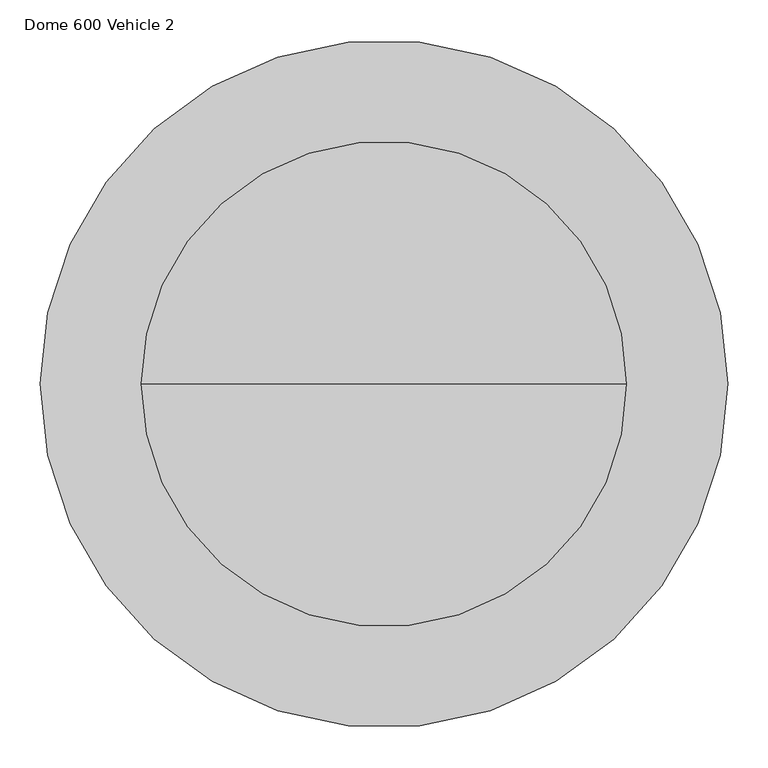
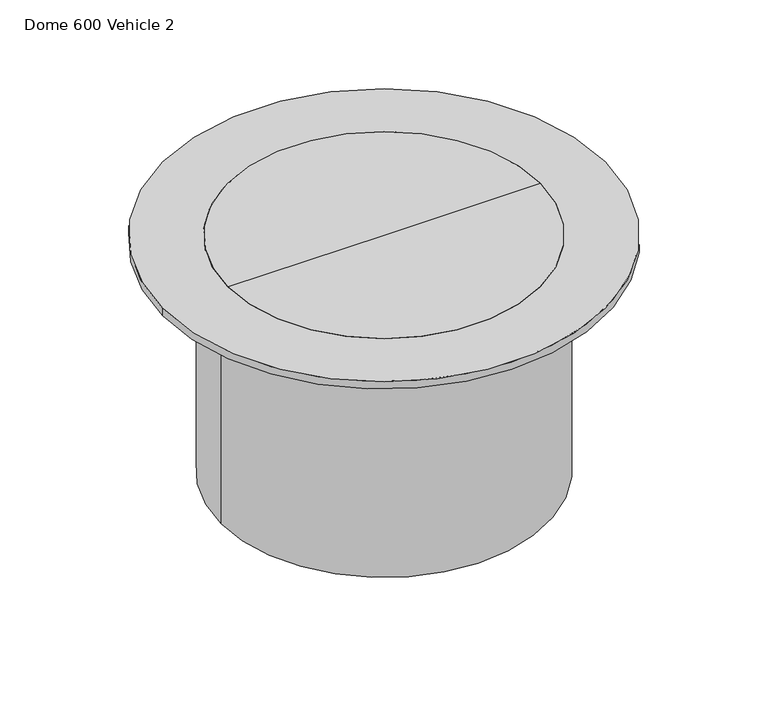
"""IFC4 building model written with IfcOpenShell, lengths in millimetres: proxy geometry, Dome 600 Vehicle 2."""

from ifc_helpers import new_model, si_unit, point, frame, origin, origin_2d, place, context, project, spatial, polyline, circle_curve, trimmed, segment, composite_curve, outline, extrude, source, transform, mapped, element, save
from ifc_brep_helpers import plane_surface, cylinder_surface, advanced_brep


def dome_600_vehicle_2_504724ee(model_context):
    return source(origin(), model_context, "Body", "SolidModel", [
        advanced_brep(
        [(0.0, 0.0, -14.9500624), (-300.0, 0.0, -14.9500624), (300.0, 0.0, -14.9500624), (-300.0, 0.0, 0.0), (300.0, 0.0, 0.0), (0.0, 0.0, 0.0)],
        [
            (0, 1),
            (1, 2, circle_curve(frame((0.0, 0.0, -14.9500624), z_axis=(0.0, 0.0, -1.0), x_axis=(-1.0, 0.0, 0.0)), 300.0)),
            (2, 0),
            (2, 1, circle_curve(frame((0.0, 0.0, -14.9500624), z_axis=(0.0, 0.0, -1.0), x_axis=(-1.0, 0.0, 0.0)), 300.0)),
            (1, 3),
            (3, 4, circle_curve(frame((0.0, 0.0, 0.0), z_axis=(0.0, 0.0, -1.0), x_axis=(-1.0, 0.0, 0.0)), 300.0)),
            (4, 2),
            (4, 3, circle_curve(frame((0.0, 0.0, 0.0), z_axis=(0.0, 0.0, -1.0), x_axis=(-1.0, 0.0, 0.0)), 300.0)),
            (3, 5),
            (5, 4),
        ],
        [
            plane_surface(frame((0.0, 0.0, -14.9500624), z_axis=(0.0, 0.0, -1.0), x_axis=(-1.0, 0.0, 0.0))),
            cylinder_surface(frame((0.0, 0.0, -119.9500624), z_axis=(0.0, 0.0, -1.0), x_axis=(-1.0, 0.0, 0.0)), 300.0),
            plane_surface(frame((0.0, 0.0, 0.0), z_axis=(0.0, 0.0, 1.0), x_axis=(-1.0, 0.0, 0.0))),
        ],
        [
            (0, [[1, 2, 3]]),
            (0, [[-3, 4, -1]]),
            (1, [[-2, 5, 6, 7]]),
            (1, [[-4, -7, 8, -5]]),
            (2, [[-6, 9, 10]]),
            (2, [[-8, -10, -9]]),
        ],
    ),
        extrude(outline(composite_curve([segment(trimmed(circle_curve(origin_2d(), 313.0), [point((-313.0, 0.0))], [point((313.0, 0.0))], False, "CARTESIAN"), True, "CONTINUOUS"), segment(trimmed(circle_curve(origin_2d(), 313.0), [point((313.0, 0.0))], [point((-313.0, 0.0))], False, "CARTESIAN"), True, "CONTINUOUS")], self_intersect=False), holes=[composite_curve([segment(trimmed(circle_curve(origin_2d(), 300.0), [point((-300.0, 0.0))], [point((300.0, 0.0))], True, "CARTESIAN"), True, "CONTINUOUS"), segment(trimmed(circle_curve(origin_2d(), 300.0), [point((300.0, 0.0))], [point((-300.0, 0.0))], True, "CARTESIAN"), True, "CONTINUOUS")], self_intersect=False)]), frame((0.0, 0.0, -476.0), z_axis=(0.0, 0.0, 1.0), x_axis=(1.0, 0.0, 0.0)), (0.0, 0.0, 1.0), 461.0499376),
        extrude(outline(composite_curve([segment(trimmed(circle_curve(origin_2d(), 425.0), [point((-425.0, 0.0))], [point((425.0, 0.0))], False, "CARTESIAN"), True, "CONTINUOUS"), segment(trimmed(circle_curve(origin_2d(), 425.0), [point((425.0, 0.0))], [point((-425.0, 0.0))], False, "CARTESIAN"), True, "CONTINUOUS")], self_intersect=False), holes=[composite_curve([segment(trimmed(circle_curve(origin_2d(), 300.0), [point((-300.0, 0.0))], [point((300.0, 0.0))], True, "CARTESIAN"), True, "CONTINUOUS"), segment(trimmed(circle_curve(origin_2d(), 300.0), [point((300.0, 0.0))], [point((-300.0, 0.0))], True, "CARTESIAN"), True, "CONTINUOUS")], self_intersect=False)]), frame((0.0, 0.0, -14.9500624), z_axis=(0.0, 0.0, 1.0), x_axis=(1.0, 0.0, 0.0)), (0.0, 0.0, 1.0), 14.9500624),
        extrude(outline(composite_curve([segment(trimmed(circle_curve(origin_2d(), 313.0), [point((-260.5755532, -173.4052511))], [point((-208.7240033, -233.2451295))], True, "CARTESIAN"), True, "CONTINUOUS"), segment(polyline([(-208.7240033, -233.2451295), (-225.0974564, -252.1411016)]), True, "CONTINUOUS"), segment(trimmed(circle_curve(origin_2d(), 338.0), [point((-225.0974564, -252.1411016))], [point((-281.6093769, -186.9228688))], False, "CARTESIAN"), True, "CONTINUOUS"), segment(polyline([(-281.6093769, -186.9228688), (-260.5755532, -173.4052511)]), True, "CONTINUOUS")], self_intersect=False)), frame((0.0, 0.0, -40.0), z_axis=(0.0, 0.0, 1.0), x_axis=(1.0, 0.0, 0.0)), (0.0, 0.0, 1.0), 25.0499376),
        extrude(outline(composite_curve([segment(polyline([(-265.9819613, -164.9927157), (-287.015785, -178.5103334)]), True, "CONTINUOUS"), segment(trimmed(circle_curve(origin_2d(), 338.0), [point((-287.015785, -178.5103334))], [point((-322.8644761, -100.0126494))], False, "CARTESIAN"), True, "CONTINUOUS"), segment(polyline([(-322.8644761, -100.0126494), (-298.8743171, -92.9685031)]), True, "CONTINUOUS"), segment(trimmed(circle_curve(origin_2d(), 313.0), [point((-298.8743171, -92.9685031))], [point((-265.9819613, -164.9927157))], True, "CARTESIAN"), True, "CONTINUOUS")], self_intersect=False)), frame((0.0, 0.0, -40.0), z_axis=(0.0, 0.0, 1.0), x_axis=(1.0, 0.0, 0.0)), (0.0, 0.0, 1.0), 25.0499376),
        extrude(outline(composite_curve([segment(polyline([(-312.9600613, 5.0), (-337.9630157, 5.0)]), True, "CONTINUOUS"), segment(trimmed(circle_curve(origin_2d(), 338.0), [point((-337.9630157, 5.0))], [point((-325.6818017, 90.4177197))], False, "CARTESIAN"), True, "CONTINUOUS"), segment(polyline([(-325.6818017, 90.4177197), (-301.6916427, 83.3735734)]), True, "CONTINUOUS"), segment(trimmed(circle_curve(origin_2d(), 313.0), [point((-301.6916427, 83.3735734))], [point((-312.9600613, 5.0))], True, "CARTESIAN"), True, "CONTINUOUS")], self_intersect=False)), frame((0.0, 0.0, -40.0), z_axis=(0.0, 0.0, 1.0), x_axis=(1.0, 0.0, 0.0)), (0.0, 0.0, 1.0), 25.0499376),
        extrude(outline(composite_curve([segment(trimmed(circle_curve(origin_2d(), 313.0), [point((-312.9600613, -5.0))], [point((-301.6916427, -83.3735734))], True, "CARTESIAN"), True, "CONTINUOUS"), segment(polyline([(-301.6916427, -83.3735734), (-325.6818017, -90.4177197)]), True, "CONTINUOUS"), segment(trimmed(circle_curve(origin_2d(), 338.0), [point((-325.6818017, -90.4177197))], [point((-337.9630157, -5.0))], False, "CARTESIAN"), True, "CONTINUOUS"), segment(polyline([(-337.9630157, -5.0), (-312.9600613, -5.0)]), True, "CONTINUOUS")], self_intersect=False)), frame((0.0, 0.0, -40.0), z_axis=(0.0, 0.0, 1.0), x_axis=(1.0, 0.0, 0.0)), (0.0, 0.0, 1.0), 25.0499376),
        extrude(outline(composite_curve([segment(trimmed(circle_curve(origin_2d(), 313.0), [point((-265.9819613, 164.9927157))], [point((-298.8743171, 92.9685031))], True, "CARTESIAN"), True, "CONTINUOUS"), segment(polyline([(-298.8743171, 92.9685031), (-322.8644761, 100.0126494)]), True, "CONTINUOUS"), segment(trimmed(circle_curve(origin_2d(), 338.0), [point((-322.8644761, 100.0126494))], [point((-287.015785, 178.5103334))], False, "CARTESIAN"), True, "CONTINUOUS"), segment(polyline([(-287.015785, 178.5103334), (-265.9819613, 164.9927157)]), True, "CONTINUOUS")], self_intersect=False)), frame((0.0, 0.0, -40.0), z_axis=(0.0, 0.0, 1.0), x_axis=(1.0, 0.0, 0.0)), (0.0, 0.0, 1.0), 25.0499376),
        extrude(outline(composite_curve([segment(polyline([(-260.5755532, 173.4052511), (-281.6093769, 186.9228688)]), True, "CONTINUOUS"), segment(trimmed(circle_curve(origin_2d(), 338.0), [point((-281.6093769, 186.9228688))], [point((-225.0974564, 252.1411016))], False, "CARTESIAN"), True, "CONTINUOUS"), segment(polyline([(-225.0974564, 252.1411016), (-208.7240033, 233.2451295)]), True, "CONTINUOUS"), segment(trimmed(circle_curve(origin_2d(), 313.0), [point((-208.7240033, 233.2451295))], [point((-260.5755532, 173.4052511))], True, "CARTESIAN"), True, "CONTINUOUS")], self_intersect=False)), frame((0.0, 0.0, -40.0), z_axis=(0.0, 0.0, 1.0), x_axis=(1.0, 0.0, 0.0)), (0.0, 0.0, 1.0), 25.0499376),
        extrude(outline(composite_curve([segment(polyline([(208.7240033, 233.2451295), (225.0974564, 252.1411016)]), True, "CONTINUOUS"), segment(trimmed(circle_curve(origin_2d(), 338.0), [point((225.0974564, 252.1411016))], [point((281.6093769, 186.9228688))], False, "CARTESIAN"), True, "CONTINUOUS"), segment(polyline([(281.6093769, 186.9228688), (260.5755532, 173.4052511)]), True, "CONTINUOUS"), segment(trimmed(circle_curve(origin_2d(), 313.0), [point((260.5755532, 173.4052511))], [point((208.7240033, 233.2451295))], True, "CARTESIAN"), True, "CONTINUOUS")], self_intersect=False)), frame((0.0, 0.0, -40.0), z_axis=(0.0, 0.0, 1.0), x_axis=(1.0, 0.0, 0.0)), (0.0, 0.0, 1.0), 25.0499376),
        extrude(outline(composite_curve([segment(trimmed(circle_curve(origin_2d(), 313.0), [point((201.1665076, 239.7937368))], [point((134.5564679, 282.60141))], True, "CARTESIAN"), True, "CONTINUOUS"), segment(polyline([(134.5564679, 282.60141), (144.9430705, 305.3448973)]), True, "CONTINUOUS"), segment(trimmed(circle_curve(origin_2d(), 338.0), [point((144.9430705, 305.3448973))], [point((217.5399607, 258.689709))], False, "CARTESIAN"), True, "CONTINUOUS"), segment(polyline([(217.5399607, 258.689709), (201.1665076, 239.7937368)]), True, "CONTINUOUS")], self_intersect=False)), frame((0.0, 0.0, -40.0), z_axis=(0.0, 0.0, 1.0), x_axis=(1.0, 0.0, 0.0)), (0.0, 0.0, 1.0), 25.0499376),
        extrude(outline(composite_curve([segment(trimmed(circle_curve(origin_2d(), 313.0), [point((39.5897533, 310.4861534))], [point((-39.5897533, 310.4861534))], True, "CARTESIAN"), True, "CONTINUOUS"), segment(polyline([(-39.5897533, 310.4861534), (-43.1480447, 335.2346137)]), True, "CONTINUOUS"), segment(trimmed(circle_curve(origin_2d(), 338.0), [point((-43.1480447, 335.2346137))], [point((43.1480447, 335.2346137))], False, "CARTESIAN"), True, "CONTINUOUS"), segment(polyline([(43.1480447, 335.2346137), (39.5897533, 310.4861534)]), True, "CONTINUOUS")], self_intersect=False)), frame((0.0, 0.0, -40.0), z_axis=(0.0, 0.0, 1.0), x_axis=(1.0, 0.0, 0.0)), (0.0, 0.0, 1.0), 25.0499376),
        extrude(outline(composite_curve([segment(polyline([(49.4879677, 309.063005), (53.0462591, 333.8114653)]), True, "CONTINUOUS"), segment(trimmed(circle_curve(origin_2d(), 338.0), [point((53.0462591, 333.8114653))], [point((135.8467506, 309.4990474))], False, "CARTESIAN"), True, "CONTINUOUS"), segment(polyline([(135.8467506, 309.4990474), (125.460148, 286.7555601)]), True, "CONTINUOUS"), segment(trimmed(circle_curve(origin_2d(), 313.0), [point((125.460148, 286.7555601))], [point((49.4879677, 309.063005))], True, "CARTESIAN"), True, "CONTINUOUS")], self_intersect=False)), frame((0.0, 0.0, -40.0), z_axis=(0.0, 0.0, 1.0), x_axis=(1.0, 0.0, 0.0)), (0.0, 0.0, 1.0), 25.0499376),
        extrude(outline(composite_curve([segment(polyline([(-125.460148, 286.7555601), (-135.8467506, 309.4990474)]), True, "CONTINUOUS"), segment(trimmed(circle_curve(origin_2d(), 338.0), [point((-135.8467506, 309.4990474))], [point((-53.0462591, 333.8114653))], False, "CARTESIAN"), True, "CONTINUOUS"), segment(polyline([(-53.0462591, 333.8114653), (-49.4879677, 309.063005)]), True, "CONTINUOUS"), segment(trimmed(circle_curve(origin_2d(), 313.0), [point((-49.4879677, 309.063005))], [point((-125.460148, 286.7555601))], True, "CARTESIAN"), True, "CONTINUOUS")], self_intersect=False)), frame((0.0, 0.0, -40.0), z_axis=(0.0, 0.0, 1.0), x_axis=(1.0, 0.0, 0.0)), (0.0, 0.0, 1.0), 25.0499376),
        extrude(outline(composite_curve([segment(trimmed(circle_curve(origin_2d(), 313.0), [point((-134.5564679, 282.60141))], [point((-201.1665076, 239.7937368))], True, "CARTESIAN"), True, "CONTINUOUS"), segment(polyline([(-201.1665076, 239.7937368), (-217.5399607, 258.689709)]), True, "CONTINUOUS"), segment(trimmed(circle_curve(origin_2d(), 338.0), [point((-217.5399607, 258.689709))], [point((-144.9430705, 305.3448973))], False, "CARTESIAN"), True, "CONTINUOUS"), segment(polyline([(-144.9430705, 305.3448973), (-134.5564679, 282.60141)]), True, "CONTINUOUS")], self_intersect=False)), frame((0.0, 0.0, -40.0), z_axis=(0.0, 0.0, 1.0), x_axis=(1.0, 0.0, 0.0)), (0.0, 0.0, 1.0), 25.0499376),
        extrude(outline(composite_curve([segment(trimmed(circle_curve(origin_2d(), 313.0), [point((298.8743171, 92.9685031))], [point((265.9819613, 164.9927157))], True, "CARTESIAN"), True, "CONTINUOUS"), segment(polyline([(265.9819613, 164.9927157), (287.015785, 178.5103334)]), True, "CONTINUOUS"), segment(trimmed(circle_curve(origin_2d(), 338.0), [point((287.015785, 178.5103334))], [point((322.8644761, 100.0126494))], False, "CARTESIAN"), True, "CONTINUOUS"), segment(polyline([(322.8644761, 100.0126494), (298.8743171, 92.9685031)]), True, "CONTINUOUS")], self_intersect=False)), frame((0.0, 0.0, -40.0), z_axis=(0.0, 0.0, 1.0), x_axis=(1.0, 0.0, 0.0)), (0.0, 0.0, 1.0), 25.0499376),
        extrude(outline(composite_curve([segment(polyline([(301.6916427, 83.3735734), (325.6818017, 90.4177197)]), True, "CONTINUOUS"), segment(trimmed(circle_curve(origin_2d(), 338.0), [point((325.6818017, 90.4177197))], [point((337.9630157, 5.0))], False, "CARTESIAN"), True, "CONTINUOUS"), segment(polyline([(337.9630157, 5.0), (312.9600613, 5.0)]), True, "CONTINUOUS"), segment(trimmed(circle_curve(origin_2d(), 313.0), [point((312.9600613, 5.0))], [point((301.6916427, 83.3735734))], True, "CARTESIAN"), True, "CONTINUOUS")], self_intersect=False)), frame((0.0, 0.0, -40.0), z_axis=(0.0, 0.0, 1.0), x_axis=(1.0, 0.0, 0.0)), (0.0, 0.0, 1.0), 25.0499376),
        extrude(outline(composite_curve([segment(polyline([(298.8743171, -92.9685031), (322.8644761, -100.0126494)]), True, "CONTINUOUS"), segment(trimmed(circle_curve(origin_2d(), 338.0), [point((322.8644761, -100.0126494))], [point((287.015785, -178.5103334))], False, "CARTESIAN"), True, "CONTINUOUS"), segment(polyline([(287.015785, -178.5103334), (265.9819613, -164.9927157)]), True, "CONTINUOUS"), segment(trimmed(circle_curve(origin_2d(), 313.0), [point((265.9819613, -164.9927157))], [point((298.8743171, -92.9685031))], True, "CARTESIAN"), True, "CONTINUOUS")], self_intersect=False)), frame((0.0, 0.0, -40.0), z_axis=(0.0, 0.0, 1.0), x_axis=(1.0, 0.0, 0.0)), (0.0, 0.0, 1.0), 25.0499376),
        extrude(outline(composite_curve([segment(trimmed(circle_curve(origin_2d(), 313.0), [point((301.6916427, -83.3735734))], [point((312.9600613, -5.0))], True, "CARTESIAN"), True, "CONTINUOUS"), segment(polyline([(312.9600613, -5.0), (337.9630157, -5.0)]), True, "CONTINUOUS"), segment(trimmed(circle_curve(origin_2d(), 338.0), [point((337.9630157, -5.0))], [point((325.6818017, -90.4177197))], False, "CARTESIAN"), True, "CONTINUOUS"), segment(polyline([(325.6818017, -90.4177197), (301.6916427, -83.3735734)]), True, "CONTINUOUS")], self_intersect=False)), frame((0.0, 0.0, -40.0), z_axis=(0.0, 0.0, 1.0), x_axis=(1.0, 0.0, 0.0)), (0.0, 0.0, 1.0), 25.0499376),
        extrude(outline(composite_curve([segment(trimmed(circle_curve(origin_2d(), 313.0), [point((208.7240033, -233.2451295))], [point((260.5755532, -173.4052511))], True, "CARTESIAN"), True, "CONTINUOUS"), segment(polyline([(260.5755532, -173.4052511), (281.6093769, -186.9228688)]), True, "CONTINUOUS"), segment(trimmed(circle_curve(origin_2d(), 338.0), [point((281.6093769, -186.9228688))], [point((225.0974564, -252.1411016))], False, "CARTESIAN"), True, "CONTINUOUS"), segment(polyline([(225.0974564, -252.1411016), (208.7240033, -233.2451295)]), True, "CONTINUOUS")], self_intersect=False)), frame((0.0, 0.0, -40.0), z_axis=(0.0, 0.0, 1.0), x_axis=(1.0, 0.0, 0.0)), (0.0, 0.0, 1.0), 25.0499376),
        extrude(outline(composite_curve([segment(polyline([(201.1665076, -239.7937368), (217.5399607, -258.689709)]), True, "CONTINUOUS"), segment(trimmed(circle_curve(origin_2d(), 338.0), [point((217.5399607, -258.689709))], [point((144.9430705, -305.3448973))], False, "CARTESIAN"), True, "CONTINUOUS"), segment(polyline([(144.9430705, -305.3448973), (134.5564679, -282.60141)]), True, "CONTINUOUS"), segment(trimmed(circle_curve(origin_2d(), 313.0), [point((134.5564679, -282.60141))], [point((201.1665076, -239.7937368))], True, "CARTESIAN"), True, "CONTINUOUS")], self_intersect=False)), frame((0.0, 0.0, -40.0), z_axis=(0.0, 0.0, 1.0), x_axis=(1.0, 0.0, 0.0)), (0.0, 0.0, 1.0), 25.0499376),
        extrude(outline(composite_curve([segment(trimmed(circle_curve(origin_2d(), 313.0), [point((-125.460148, -286.7555601))], [point((-49.4879677, -309.063005))], True, "CARTESIAN"), True, "CONTINUOUS"), segment(polyline([(-49.4879677, -309.063005), (-53.0462591, -333.8114653)]), True, "CONTINUOUS"), segment(trimmed(circle_curve(origin_2d(), 338.0), [point((-53.0462591, -333.8114653))], [point((-135.8467506, -309.4990474))], False, "CARTESIAN"), True, "CONTINUOUS"), segment(polyline([(-135.8467506, -309.4990474), (-125.460148, -286.7555601)]), True, "CONTINUOUS")], self_intersect=False)), frame((0.0, 0.0, -40.0), z_axis=(0.0, 0.0, 1.0), x_axis=(1.0, 0.0, 0.0)), (0.0, 0.0, 1.0), 25.0499376),
        extrude(outline(composite_curve([segment(polyline([(-134.5564679, -282.60141), (-144.9430705, -305.3448973)]), True, "CONTINUOUS"), segment(trimmed(circle_curve(origin_2d(), 338.0), [point((-144.9430705, -305.3448973))], [point((-217.5399607, -258.689709))], False, "CARTESIAN"), True, "CONTINUOUS"), segment(polyline([(-217.5399607, -258.689709), (-201.1665076, -239.7937368)]), True, "CONTINUOUS"), segment(trimmed(circle_curve(origin_2d(), 313.0), [point((-201.1665076, -239.7937368))], [point((-134.5564679, -282.60141))], True, "CARTESIAN"), True, "CONTINUOUS")], self_intersect=False)), frame((0.0, 0.0, -40.0), z_axis=(0.0, 0.0, 1.0), x_axis=(1.0, 0.0, 0.0)), (0.0, 0.0, 1.0), 25.0499376),
        extrude(outline(composite_curve([segment(polyline([(39.5897533, -310.4861534), (43.1480447, -335.2346137)]), True, "CONTINUOUS"), segment(trimmed(circle_curve(origin_2d(), 338.0), [point((43.1480447, -335.2346137))], [point((-43.1480447, -335.2346137))], False, "CARTESIAN"), True, "CONTINUOUS"), segment(polyline([(-43.1480447, -335.2346137), (-39.5897533, -310.4861534)]), True, "CONTINUOUS"), segment(trimmed(circle_curve(origin_2d(), 313.0), [point((-39.5897533, -310.4861534))], [point((39.5897533, -310.4861534))], True, "CARTESIAN"), True, "CONTINUOUS")], self_intersect=False)), frame((0.0, 0.0, -40.0), z_axis=(0.0, 0.0, 1.0), x_axis=(1.0, 0.0, 0.0)), (0.0, 0.0, 1.0), 25.0499376),
        extrude(outline(composite_curve([segment(trimmed(circle_curve(origin_2d(), 313.0), [point((49.4879677, -309.063005))], [point((125.460148, -286.7555601))], True, "CARTESIAN"), True, "CONTINUOUS"), segment(polyline([(125.460148, -286.7555601), (135.8467506, -309.4990474)]), True, "CONTINUOUS"), segment(trimmed(circle_curve(origin_2d(), 338.0), [point((135.8467506, -309.4990474))], [point((53.0462591, -333.8114653))], False, "CARTESIAN"), True, "CONTINUOUS"), segment(polyline([(53.0462591, -333.8114653), (49.4879677, -309.063005)]), True, "CONTINUOUS")], self_intersect=False)), frame((0.0, 0.0, -40.0), z_axis=(0.0, 0.0, 1.0), x_axis=(1.0, 0.0, 0.0)), (0.0, 0.0, 1.0), 25.0499376),
        extrude(outline(polyline([(-42.0990731, 0.0), (22.2616361, 0.0), (-42.0990731, -100.6257242), (-42.0990731, 0.0)])), frame((125.4767391, -286.7918896, -57.0491355), z_axis=(0.9096319953545242, 0.4154150130018736, 0.0), x_axis=(0.0, 0.0, -1.0)), (0.0, 0.0, 1.0), 10.0),
        extrude(outline(polyline([(-42.0990731, 0.0), (22.2616361, 0.0), (-42.0990731, -100.6257243), (-42.0990731, 0.0)])), frame((39.5954372, -310.5256855, -57.0491355), z_axis=(0.9898214418809347, 0.14231483827327232, 0.0), x_axis=(0.0, 0.0, -1.0)), (0.0, 0.0, 1.0), 10.0),
        extrude(outline(polyline([(0.0, 0.0), (0.0, -64.3607092), (-100.6257242, 0.0), (0.0, 0.0)])), frame((201.1926619, -239.8239204, -14.9500624), z_axis=(0.7557495743542649, 0.6548607339452776, 0.0), x_axis=(-0.6548607339452776, 0.7557495743542649, 0.0)), (0.0, 0.0, 1.0), 10.0),
        extrude(outline(polyline([(0.0, 0.0), (0.0, -64.3607092), (-100.6257242, 0.0), (0.0, 0.0)])), frame((260.6091517, -173.4268435, -14.9500624), z_axis=(0.5406408174556062, 0.8412535328311757, 0.0), x_axis=(-0.8412535328311757, 0.5406408174556062, 0.0)), (0.0, 0.0, 1.0), 10.0),
        extrude(outline(polyline([(0.0, 0.0), (0.0, -64.3607092), (-100.6257241, 0.0), (0.0, 0.0)])), frame((298.912638, -92.9797552, -14.9500624), z_axis=(0.2817325568414406, 0.9594929736144941, 0.0), x_axis=(-0.9594929736144941, 0.2817325568414406, 0.0)), (0.0, 0.0, 1.0), 10.0),
        extrude(outline(polyline([(0.0, 0.0), (100.6257242, 0.0), (0.0, -64.3607092), (0.0, 0.0)])), frame((-125.4767391, -286.7918896, -14.9500624), z_axis=(-0.9096319953545242, 0.41541501300187367, 0.0), x_axis=(-0.41541501300187367, -0.9096319953545242, 0.0)), (0.0, 0.0, 1.0), 10.0),
        extrude(outline(polyline([(0.0, 0.0), (100.6257243, 0.0), (0.0, -64.3607092), (0.0, 0.0)])), frame((-39.5954372, -310.5256855, -14.9500624), z_axis=(-0.9898214418809346, 0.14231483827327232, 0.0), x_axis=(-0.14231483827327232, -0.9898214418809346, 0.0)), (0.0, 0.0, 1.0), 10.0),
        extrude(outline(polyline([(42.0990731, 0.0), (42.0990731, -100.6257242), (-22.2616361, 0.0), (42.0990731, 0.0)])), frame((-201.1926619, -239.8239204, -57.0491355), z_axis=(-0.7557495743542648, 0.6548607339452776, 0.0), x_axis=(0.0, 0.0, 1.0)), (0.0, 0.0, 1.0), 10.0),
        extrude(outline(polyline([(42.0990731, 0.0), (42.0990731, -100.6257242), (-22.2616361, 0.0), (42.0990731, 0.0)])), frame((-260.6091517, -173.4268435, -57.0491355), z_axis=(-0.5406408174556062, 0.8412535328311757, 0.0), x_axis=(0.0, 0.0, 1.0)), (0.0, 0.0, 1.0), 10.0),
        extrude(outline(polyline([(42.0990731, 0.0), (42.0990731, -100.6257241), (-22.2616361, 0.0), (42.0990731, 0.0)])), frame((-298.912638, -92.9797552, -57.0491355), z_axis=(-0.2817325568414406, 0.9594929736144941, 0.0), x_axis=(0.0, 0.0, 1.0)), (0.0, 0.0, 1.0), 10.0),
        extrude(outline(polyline([(0.0, 0.0), (0.0, -64.3607092), (-100.6257242, 0.0), (0.0, 0.0)])), frame((134.573059, 282.6377395, -14.9500624), z_axis=(-0.9096319953545242, 0.41541501300187367, 0.0), x_axis=(-0.41541501300187367, -0.9096319953545242, 0.0)), (0.0, 0.0, 1.0), 10.0),
        extrude(outline(polyline([(0.0, 0.0), (0.0, -64.3607092), (-100.6257243, 0.0), (0.0, 0.0)])), frame((49.4936516, 309.1025371, -14.9500624), z_axis=(-0.9898214418809346, 0.14231483827327232, 0.0), x_axis=(-0.14231483827327232, -0.9898214418809346, 0.0)), (0.0, 0.0, 1.0), 10.0),
        extrude(outline(polyline([(-42.0990731, 0.0), (22.2616361, 0.0), (-42.0990731, -100.6257242), (-42.0990731, 0.0)])), frame((208.7501576, 233.2753131, -57.0491355), z_axis=(-0.7557495743542648, 0.6548607339452776, 0.0), x_axis=(0.0, 0.0, -1.0)), (0.0, 0.0, 1.0), 10.0),
        extrude(outline(polyline([(-42.0990731, 0.0), (22.2616361, 0.0), (-42.0990731, -100.6257242), (-42.0990731, 0.0)])), frame((266.0155599, 165.0143082, -57.0491355), z_axis=(-0.5406408174556062, 0.8412535328311757, 0.0), x_axis=(0.0, 0.0, -1.0)), (0.0, 0.0, 1.0), 10.0),
        extrude(outline(polyline([(-42.0990731, 0.0), (22.2616361, 0.0), (-42.0990731, -100.6257243), (-42.0990731, 0.0)])), frame((301.7299635, 83.3848254, -57.0491355), z_axis=(-0.2817325568414406, 0.9594929736144941, 0.0), x_axis=(0.0, 0.0, -1.0)), (0.0, 0.0, 1.0), 10.0),
        extrude(outline(polyline([(-14.9500624, 313.0), (-79.3107716, 313.0), (-14.9500624, 413.6257242), (-14.9500624, 313.0)])), frame((0.0, -5.0, 0.0), z_axis=(0.0, 1.0, 0.0), x_axis=(0.0, 0.0, 1.0)), (0.0, 0.0, 1.0), 10.0),
        extrude(outline(polyline([(42.0990731, 0.0), (42.0990731, -100.6257242), (-22.2616361, 0.0), (42.0990731, 0.0)])), frame((-134.573059, 282.6377395, -57.0491355), z_axis=(0.9096319953545242, 0.4154150130018736, 0.0), x_axis=(0.0, 0.0, 1.0)), (0.0, 0.0, 1.0), 10.0),
        extrude(outline(polyline([(42.0990731, 0.0), (42.0990731, -100.6257243), (-22.2616361, 0.0), (42.0990731, 0.0)])), frame((-49.4936516, 309.1025371, -57.0491355), z_axis=(0.9898214418809347, 0.14231483827327232, 0.0), x_axis=(0.0, 0.0, 1.0)), (0.0, 0.0, 1.0), 10.0),
        extrude(outline(polyline([(0.0, 0.0), (100.6257242, 0.0), (0.0, -64.3607092), (0.0, 0.0)])), frame((-208.7501576, 233.2753131, -14.9500624), z_axis=(0.7557495743542648, 0.6548607339452776, 0.0), x_axis=(-0.6548607339452776, 0.7557495743542648, 0.0)), (0.0, 0.0, 1.0), 10.0),
        extrude(outline(polyline([(0.0, 0.0), (100.6257242, 0.0), (0.0, -64.3607092), (0.0, 0.0)])), frame((-266.0155599, 165.0143082, -14.9500624), z_axis=(0.5406408174556062, 0.8412535328311757, 0.0), x_axis=(-0.8412535328311757, 0.5406408174556062, 0.0)), (0.0, 0.0, 1.0), 10.0),
        extrude(outline(polyline([(0.0, 0.0), (100.6257243, 0.0), (0.0, -64.3607092), (0.0, 0.0)])), frame((-301.7299635, 83.3848254, -14.9500624), z_axis=(0.2817325568414406, 0.9594929736144941, 0.0), x_axis=(-0.9594929736144941, 0.2817325568414406, 0.0)), (0.0, 0.0, 1.0), 10.0),
        extrude(outline(polyline([(-14.9500624, -313.0), (-14.9500624, -413.6257242), (-79.3107716, -313.0), (-14.9500624, -313.0)])), frame((0.0, -5.0, 0.0), z_axis=(0.0, 1.0, 0.0), x_axis=(0.0, 0.0, 1.0)), (0.0, 0.0, 1.0), 10.0),
    ])


if __name__ == "__main__":
    model = new_model("IFC4")
    model_context = context("Model", 3, world=origin())
    ifc_project = project(units=[si_unit("LENGTHUNIT", "METRE", prefix="MILLI")], contexts=[model_context])
    site = spatial("IfcSite", under=ifc_project)
    building = spatial("IfcBuilding", under=site)
    placement = place(None, origin())
    dome_600_vehicle_2_shape = dome_600_vehicle_2_504724ee(model_context)
    element("IfcBuildingElementProxy", 1, Name="Dome 600 Vehicle 2", ObjectType="Dome 600 Vehicle 2", at=placement, inside=building, context=model_context, shape_type="MappedRepresentation", body=[
        mapped(dome_600_vehicle_2_shape, transform((0.0, 0.0, 0.0), x_axis=(1.0, 0.0, 0.0), y_axis=(0.0, 1.0, 0.0), z_axis=(0.0, 0.0, 1.0))),
    ])
    save(model, "model.ifc")
